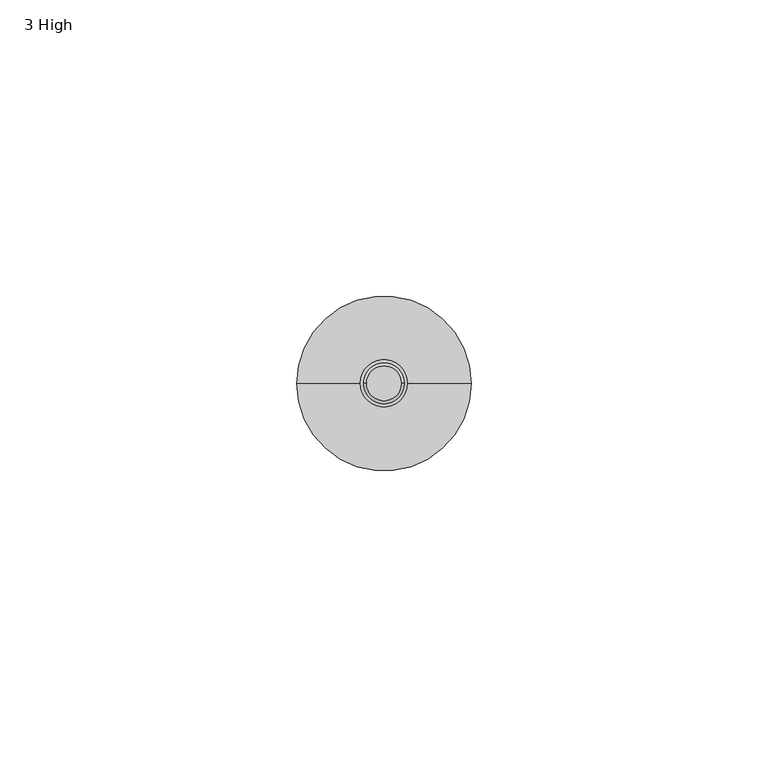
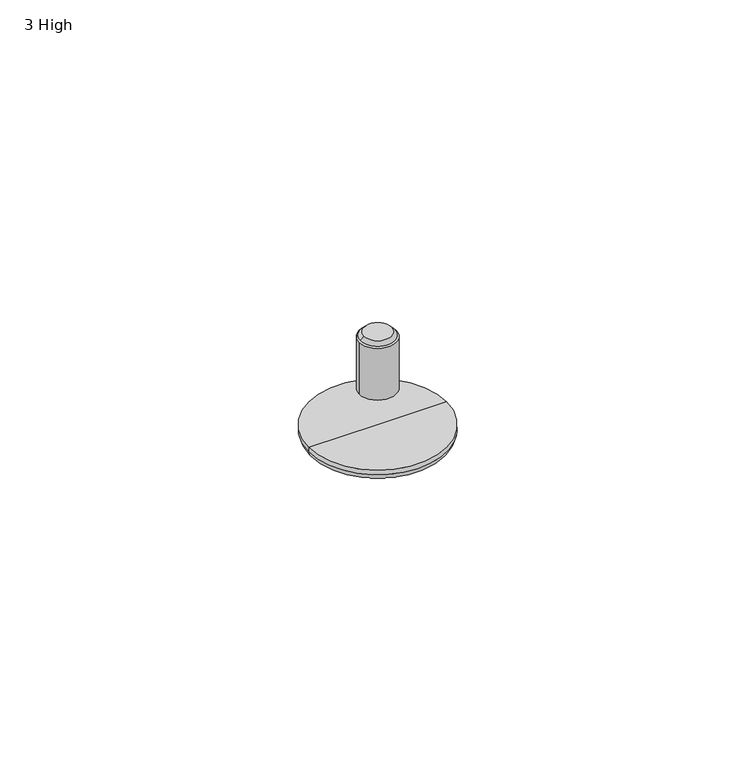
"""IFC4 building model written with IfcOpenShell, lengths in millimetres: furniture geometry, 3 High."""

from ifc_helpers import new_model, si_unit, point, frame, frame_2d, origin, place, context, project, spatial, circle_curve, ellipse_curve, trimmed, segment, composite_curve, outline, extrude, source, transform, mapped, element, save
from ifc_brep_helpers import plane_surface, cylinder_surface, revolved_surface, spline_surface, advanced_brep


def furniture_3_high_59e398f0(model_context):
    return source(origin(), model_context, "Body", "SolidModel", [
        advanced_brep(
        [(65.5310488, -314.3469759, 2.6178944), (50.8029927, -314.3469759, 2.6178944), (36.0749366, -314.3469759, 2.6178944), (65.5310488, -314.3469759, 1.580664), (36.0749366, -314.3469759, 1.580664), (63.9503848, -314.3469759, 0.0), (37.6556006, -314.3469759, 0.0), (50.8029927, -314.3469759, 0.0)],
        [
            (0, 1),
            (1, 2),
            (2, 0, circle_curve(frame((50.8029927, -314.3469759, 2.6178944), z_axis=(0.0, 0.0, 1.0), x_axis=(-1.0, 0.0, 0.0)), 14.7280561)),
            (0, 2, circle_curve(frame((50.8029927, -314.3469759, 2.6178944), z_axis=(0.0, 0.0, 1.0), x_axis=(-1.0, 0.0, 0.0)), 14.7280561)),
            (3, 0),
            (2, 4),
            (4, 3, circle_curve(frame((50.8029927, -314.3469759, 1.580664), z_axis=(0.0, 0.0, 1.0), x_axis=(-1.0, 0.0, 0.0)), 14.7280561)),
            (3, 4, circle_curve(frame((50.8029927, -314.3469759, 1.580664), z_axis=(0.0, 0.0, 1.0), x_axis=(-1.0, 0.0, 0.0)), 14.7280561)),
            (5, 3, circle_curve(frame((63.9503848, -314.3469759, 1.580664), z_axis=(0.0, -1.0, 0.0), x_axis=(-1.0, 0.0, 0.0)), 1.580664)),
            (4, 6, circle_curve(frame((37.6556006, -314.3469759, 1.580664), z_axis=(0.0, -1.0, 0.0), x_axis=(1.0, 0.0, 0.0)), 1.580664)),
            (6, 5, circle_curve(frame((50.8029927, -314.3469759, 0.0), z_axis=(0.0, 0.0, 1.0), x_axis=(-1.0, 0.0, 0.0)), 13.1473921)),
            (5, 6, circle_curve(frame((50.8029927, -314.3469759, 0.0), z_axis=(0.0, 0.0, 1.0), x_axis=(-1.0, 0.0, 0.0)), 13.1473921)),
            (7, 5),
            (6, 7),
        ],
        [
            plane_surface(frame((50.8029927, -314.3469759, 2.6178944), z_axis=(0.0, 0.0, 1.0), x_axis=(-1.0, 0.0, 0.0))),
            cylinder_surface(frame((50.8029927, -314.3469759, 2.6178944), z_axis=(0.0, 0.0, -1.0), x_axis=(-1.0, 0.0, 0.0)), 14.7280561),
            revolved_surface(trimmed(ellipse_curve(frame((37.6556006, -314.3469759, 1.580664), z_axis=(0.0, -1.0, 0.0), x_axis=(1.0, 0.0, 0.0)), 1.580664, 1.580664), [point((36.0749366, -314.3469759, 1.580664))], [point((37.6556006, -314.3469759, 0.0))], True, "CARTESIAN"), (50.8029927, -314.3469759, 2.6178944), (0.0, 0.0, -1.0)),
            plane_surface(frame((50.8029927, -314.3469759, 0.0), z_axis=(0.0, 0.0, -1.0), x_axis=(-1.0, 0.0, 0.0))),
        ],
        [
            (0, [[1, 2, 3]]),
            (0, [[-2, -1, 4]]),
            (1, [[5, -3, 6, 7]]),
            (1, [[-6, -4, -5, 8]]),
            (2, [[9, -7, 10, 11]]),
            (2, [[-10, -8, -9, 12]]),
            (3, [[13, -11, 14]]),
            (3, [[-14, -12, -13]]),
        ],
    ),
        extrude(outline(composite_curve([segment(trimmed(circle_curve(frame_2d((50.7916786, -314.3066921)), 3.9557313), [point((46.8359473, -314.3066921))], [point((54.7474099, -314.3066921))], False, "CARTESIAN"), True, "CONTINUOUS"), segment(trimmed(circle_curve(frame_2d((50.7916786, -314.3066921)), 3.9557313), [point((54.7474099, -314.3066921))], [point((46.8359473, -314.3066921))], False, "CARTESIAN"), True, "CONTINUOUS")], self_intersect=False)), frame((0.0, 0.0, 10.8986525), z_axis=(0.0, 0.0, 1.0), x_axis=(1.0, 0.0, 0.0)), (0.0, 0.0, 1.0), 11.6640053),
        advanced_brep(
        [(46.8582767, -314.3151933, 22.5626578), (54.7482407, -314.3151933, 22.5626578), (47.8550405, -314.3151933, 23.622), (53.7262577, -314.3151933, 23.622)],
        [
            (0, 1, circle_curve(frame((50.8032587, -314.3151933, 22.5626578), z_axis=(0.0, 0.0, -1.0), x_axis=(1.0, 0.0, 0.0)), 3.944982)),
            (1, 0, circle_curve(frame((50.8032587, -314.3151933, 22.5626578), z_axis=(0.0, 0.0, -1.0), x_axis=(1.0, 0.0, 0.0)), 3.944982)),
            (2, 3, circle_curve(frame((50.7906491, -314.3151933, 23.622), z_axis=(0.0, 0.0, 1.0), x_axis=(1.0, 0.0, 0.0)), 2.9356086)),
            (3, 2, circle_curve(frame((50.7906491, -314.3151933, 23.622), z_axis=(0.0, 0.0, 1.0), x_axis=(1.0, 0.0, 0.0)), 2.9356086)),
            (2, 0),
            (1, 3),
        ],
        [
            plane_surface(frame((50.8032587, -314.3151933, 22.5626578), z_axis=(0.0, 0.0, -1.0), x_axis=(0.0, 1.0, 0.0))),
            plane_surface(frame((50.7906491, -314.3151933, 23.622), z_axis=(0.0, 0.0, 1.0), x_axis=(0.0, 1.0, 0.0))),
            spline_surface(1, 2, [[(47.8550405, -314.3151933, 23.622), (47.8550405, -317.2508019, 23.622), (50.7906491, -317.2508019, 23.622), (53.726257700000005, -317.2508019, 23.622), (53.7262577, -314.3151933, 23.622)], [(46.8582767, -314.3151933, 22.5626578), (46.8582767, -318.26017529999996, 22.5626578), (50.8032587, -318.26017529999996, 22.5626578), (54.748240700000004, -318.2601753, 22.5626578), (54.7482407, -314.3151933, 22.5626578)]], [2, 2], [3, 2, 3], [0.0, 1.0], [0.0, 1.0, 2.0], weights=[[1.0, 0.7071067811865476, 1.0, 0.7071067811865469, 1.0], [1.0, 0.7071067811865476, 1.0, 0.7071067811865469, 1.0]]),
            spline_surface(1, 2, [[(53.7262577, -314.3151933, 23.622), (53.7262577, -311.3795847, 23.622), (50.7906491, -311.3795847, 23.622), (47.85504050000001, -311.3795847, 23.622), (47.8550405, -314.3151933, 23.622)], [(54.7482407, -314.3151933, 22.5626578), (54.7482407, -310.3702113, 22.5626578), (50.8032587, -310.3702113, 22.5626578), (46.858276700000005, -310.3702113, 22.5626578), (46.8582767, -314.3151933, 22.5626578)]], [2, 2], [3, 2, 3], [0.0, 1.0], [0.0, 1.0, 2.0], weights=[[1.0, 0.7071067811865476, 1.0, 0.7071067811865481, 1.0], [1.0, 0.7071067811865476, 1.0, 0.7071067811865481, 1.0]]),
        ],
        [
            (0, [[1, 2]]),
            (1, [[3, 4]]),
            (2, [[5, -2, 6, -3]]),
            (3, [[-6, -1, -5, -4]]),
        ],
    ),
    ])


if __name__ == "__main__":
    model = new_model("IFC4")
    model_context = context("Model", 3, world=origin())
    ifc_project = project(units=[si_unit("LENGTHUNIT", "METRE", prefix="MILLI")], contexts=[model_context])
    site = spatial("IfcSite", under=ifc_project)
    building = spatial("IfcBuilding", under=site)
    placement = place(None, origin())
    furniture_3_high_shape = furniture_3_high_59e398f0(model_context)
    element("IfcFurniture", 1, ObjectType="3 High", at=placement, inside=building, context=model_context, shape_type="MappedRepresentation", body=[
        mapped(furniture_3_high_shape, transform((0.0, 0.0, 0.0), x_axis=(1.0, 0.0, 0.0), y_axis=(0.0, 1.0, 0.0), z_axis=(0.0, 0.0, 1.0))),
    ])
    save(model, "model.ifc")
